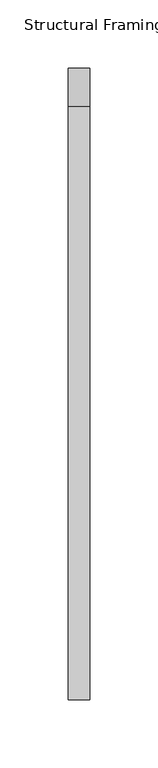
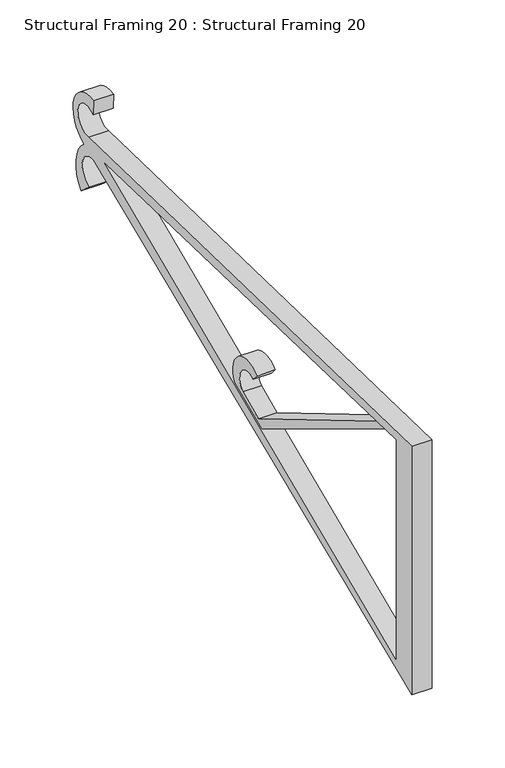
"""IFC4 building model written with IfcOpenShell, lengths in millimetres: beam geometry, Structural Framing 20 : Structural Framing 20."""

from ifc_helpers import new_model, si_unit, point, frame, frame_2d, origin, place, context, project, spatial, polyline, circle_curve, trimmed, segment, composite_curve, outline, extrude, source, transform, mapped, element, save


def structural_framing_20_structural_framing_20_eae7c6f7(model_context):
    return source(origin(), model_context, "Body", "SweptSolid", [
        extrude(outline(composite_curve([segment(polyline([(52345.0931573, 110316.1661464), (52174.3950495, 110419.1699839), (52185.7908072, 110418.8492144), (52349.4915185, 110321.6560551), (52370.9618848, 110331.2410401)]), True, "CONTINUOUS"), segment(trimmed(circle_curve(frame_2d((52363.7259628, 110340.4101465)), 11.6803715), [point((52370.9618848, 110331.2410401))], [point((52357.0061706, 110349.9639663))], True, "CARTESIAN"), True, "CONTINUOUS"), segment(polyline([(52357.0061706, 110349.9639663), (52352.0497989, 110355.7949919)]), True, "CONTINUOUS"), segment(trimmed(circle_curve(frame_2d((52365.2893043, 110341.7405071)), 19.3083672), [point((52352.0497989, 110355.7949919))], [point((52382.0399445, 110332.1369088))], False, "CARTESIAN"), True, "CONTINUOUS"), segment(polyline([(52382.0399445, 110332.1369088), (52345.0931573, 110316.1661464)]), True, "CONTINUOUS")], self_intersect=False)), frame((-37672.4600703, 0.0, 0.0), z_axis=(1.0, 0.0, 0.0), x_axis=(0.0, 1.0, 0.0)), (0.0, 0.0, 1.0), 14.504671),
        extrude(outline(composite_curve([segment(polyline([(52138.5694308, 110427.0234103), (52580.5806978, 110416.7113765)]), True, "CONTINUOUS"), segment(trimmed(circle_curve(frame_2d((52582.5126348, 110429.2437017)), 12.680361), [point((52580.5806978, 110416.7113765))], [point((52574.3537186, 110438.9505881))], True, "CARTESIAN"), True, "CONTINUOUS"), segment(polyline([(52574.3537186, 110438.9505881), (52573.8862327, 110451.1489428)]), True, "CONTINUOUS"), segment(trimmed(circle_curve(frame_2d((52578.9476287, 110428.9773762)), 22.7419457), [point((52573.8862327, 110451.1489428))], [point((52586.2628374, 110407.4440574))], False, "CARTESIAN"), True, "CONTINUOUS"), segment(trimmed(circle_curve(frame_2d((52569.0800604, 110384.3914936)), 28.7518439), [point((52586.2628374, 110407.4440574))], [point((52590.9040642, 110365.6730165))], False, "CARTESIAN"), True, "CONTINUOUS"), segment(polyline([(52590.9040642, 110365.6730165), (52579.6911294, 110375.3464429)]), True, "CONTINUOUS"), segment(trimmed(circle_curve(frame_2d((52575.5835028, 110388.199529)), 13.4934954), [point((52579.6911294, 110375.3464429))], [point((52573.9089344, 110401.5887126))], True, "CARTESIAN"), True, "CONTINUOUS"), segment(polyline([(52573.9089344, 110401.5887126), (52138.5694308, 110219.760246), (52138.5694308, 110427.0234103)]), True, "CONTINUOUS")], self_intersect=False), holes=[polyline([(52558.3781952, 110408.3615694), (52160.0748712, 110419.5730704), (52160.0748712, 110236.1894198), (52558.3781952, 110408.3615694)])]), frame((-37673.3476256, 0.0, 0.0), z_axis=(1.0, 0.0, 0.0), x_axis=(0.0, 1.0, 0.0)), (0.0, 0.0, 1.0), 15.7554958),
    ])


if __name__ == "__main__":
    model = new_model("IFC4")
    model_context = context("Model", 3, world=origin())
    ifc_project = project(units=[si_unit("LENGTHUNIT", "METRE", prefix="MILLI")], contexts=[model_context])
    site = spatial("IfcSite", under=ifc_project)
    building = spatial("IfcBuilding", under=site)
    placement = place(None, origin())
    structural_framing_20_structural_framing_20_shape = structural_framing_20_structural_framing_20_eae7c6f7(model_context)
    element("IfcBeam", 1, ObjectType="Structural Framing 20 : Structural Framing 20", at=placement, inside=building, context=model_context, shape_type="MappedRepresentation", body=[
        mapped(structural_framing_20_structural_framing_20_shape, transform((0.0, 0.0, 0.0), x_axis=(1.0, 0.0, 0.0), y_axis=(0.0, 1.0, 0.0), z_axis=(0.0, 0.0, 1.0))),
    ])
    save(model, "model.ifc")
